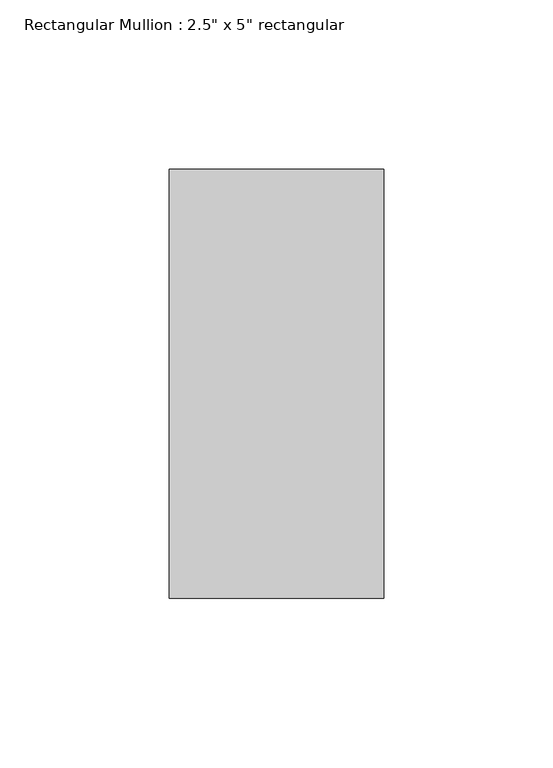
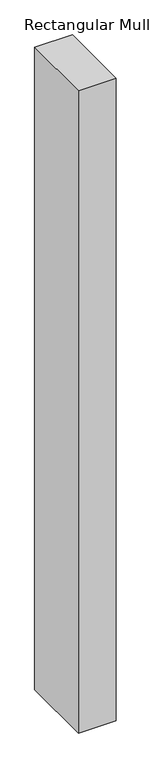
"""IFC4 building model written with IfcOpenShell, lengths in millimetres: member geometry."""

from ifc_helpers import new_model, si_unit, frame, origin, place, context, project, spatial, polyline, outline, extrude, source, transform, mapped, element, save


def member_38ecae0c(model_context):
    return source(origin(), model_context, "Body", "SweptSolid", [
        extrude(outline(polyline([(0.0, 63.5), (0.0, -63.5), (-63.5, -63.5), (-63.5, 63.5), (0.0, 63.5)])), frame((0.0, 0.0, -1140.61875), z_axis=(0.0, 0.0, 1.0), x_axis=(1.0, 0.0, 0.0)), (0.0, 0.0, 1.0), 1140.61875),
    ])


if __name__ == "__main__":
    model = new_model("IFC4")
    model_context = context("Model", 3, world=origin())
    ifc_project = project(units=[si_unit("LENGTHUNIT", "METRE", prefix="MILLI")], contexts=[model_context])
    site = spatial("IfcSite", under=ifc_project)
    building = spatial("IfcBuilding", under=site)
    placement = place(None, origin())
    member_shape = member_38ecae0c(model_context)
    element("IfcMember", 1, ObjectType="Rectangular Mullion : 2.5\" x 5\" rectangular", at=placement, inside=building, context=model_context, shape_type="MappedRepresentation", body=[
        mapped(member_shape, transform((0.0, 0.0, 0.0), x_axis=(1.0, 0.0, 0.0), y_axis=(0.0, 1.0, 0.0), z_axis=(0.0, 0.0, 1.0))),
    ])
    save(model, "model.ifc")
